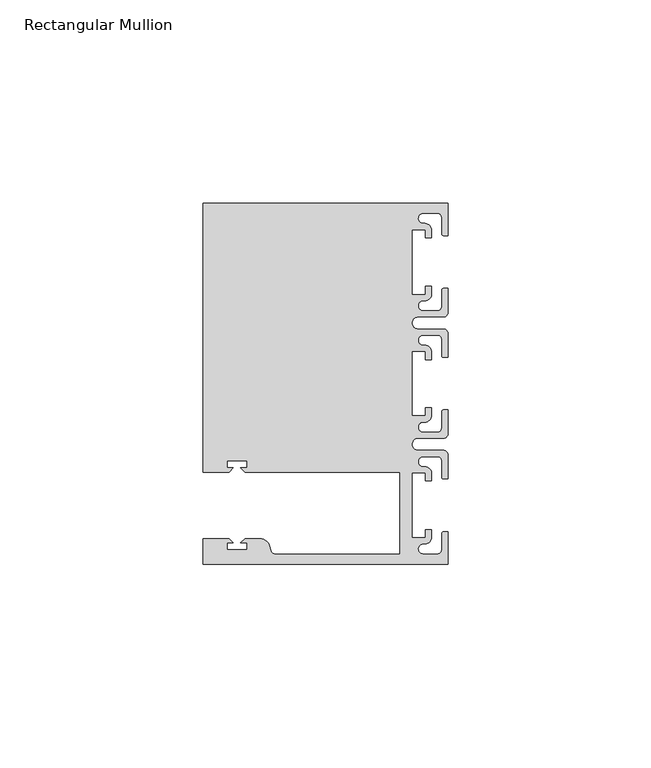
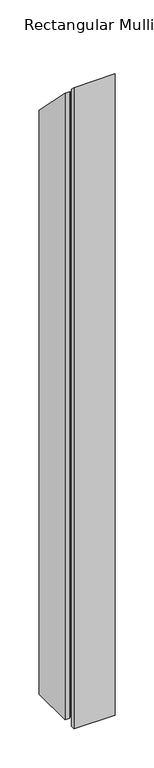
"""IFC4 building model written with IfcOpenShell, lengths in millimetres: member geometry, Rectangular Mullion."""

from ifc_helpers import new_model, si_unit, frame, origin, place, context, project, spatial, polyline, circle_curve, ellipse_curve, source, transform, mapped, element, save
from ifc_brep_helpers import plane_surface, cylinder_surface, revolved_surface, advanced_brep


def rectangular_mullion_4e4901e3(model_context):
    return source(origin(), model_context, "Body", "AdvancedBrep", [
        advanced_brep(
        [(0.0, -44.45, -952.5), (-60.3249977, -44.45, -952.5), (-60.3249977, -38.1499897, -952.5), (-53.8507531, -38.1499897, -952.5), (-52.8507405, -39.1500023, -952.5), (-54.4249778, -39.1500023, -952.5), (-54.4249778, -40.9498819, -952.5), (-49.4249831, -40.9498819, -952.5), (-49.4249831, -39.1500023, -952.5), (-50.999256, -39.1500023, -952.5), (-49.9992503, -38.1499966, -952.5), (-46.3137853, -38.1499966, -952.5), (-43.8989707, -40.002949, -952.5), (-43.5758588, -41.2088192, -952.5), (-42.6099329, -41.9500001, -952.5), (-11.8, -41.95, -952.5), (-11.8, -21.7499959, -952.5), (-49.9992434, -21.7499959, -952.5), (-50.999256, -20.7499834, -952.5), (-49.4250186, -20.7499834, -952.5), (-49.4250186, -18.949936, -952.5), (-54.4250134, -18.949936, -952.5), (-54.4250134, -20.7499834, -952.5), (-52.8507405, -20.7499834, -952.5), (-53.8507562, -21.749999, -952.5), (-60.325, -21.749999, -952.5), (-60.325, 44.45, -952.5), (0.0, 44.45, -952.5), (0.0, 36.4500318, -952.5), (-1.0, 36.4500318, -952.5), (-1.5, 36.9500318, -952.5), (-1.5, 40.95, -952.5), (-2.5, 41.95, -952.5), (-6.0499986, 41.95, -952.5), (-5.9027291, 39.4587029, -952.5), (-4.0000054, 37.7499972, -952.5), (-4.0000054, 35.9500318, -952.5), (-5.5, 35.9500318, -952.5), (-5.5, 37.9499972, -952.5), (-8.8585786, 37.9499972, -952.5), (-8.8585786, 21.9499956, -952.5), (-5.5, 21.9499956, -952.5), (-5.5, 23.9499611, -952.5), (-3.9999946, 23.9499611, -952.5), (-3.9999946, 22.0272972, -952.5), (-6.0499986, 20.4499956, -952.5), (-6.0499986, 17.9499929, -952.5), (-2.5, 17.9499929, -952.5), (-1.5, 18.9499929, -952.5), (-1.5, 22.9499611, -952.5), (-1.0, 23.4499611, -952.5), (0.0, 23.4499611, -952.5), (0.0, 17.4499929, -952.5), (-1.0, 16.4499929, -952.5), (-7.3, 16.4499929, -952.5), (-7.3046244, 13.45, -952.5), (-1.0, 13.45, -952.5), (0.0, 12.45, -952.5), (0.0, 6.4500354, -952.5), (-0.9999964, 6.4500354, -952.5), (-1.4999964, 6.9500354, -952.5), (-1.4999964, 10.95, -952.5), (-2.4999964, 11.95, -952.5), (-6.0499986, 11.95, -952.5), (-6.0499986, 9.4499972, -952.5), (-4.0000054, 7.7499972, -952.5), (-4.0000054, 5.9500318, -952.5), (-5.5, 5.9500318, -952.5), (-5.5, 7.9499972, -952.5), (-8.8, 7.9499972, -952.5), (-8.8, -7.9499972, -952.5), (-5.5, -7.9499972, -952.5), (-5.5, -5.9500318, -952.5), (-4.0000054, -5.9500318, -952.5), (-4.0000054, -7.7499972, -952.5), (-6.0499986, -9.4499972, -952.5), (-6.0499986, -11.95, -952.5), (-2.4999964, -11.95, -952.5), (-1.4999964, -10.95, -952.5), (-1.4999964, -6.9500354, -952.5), (-0.9999964, -6.4500354, -952.5), (0.0, -6.4500354, -952.5), (0.0, -12.45, -952.5), (-1.0, -13.45, -952.5), (-7.3046244, -13.45, -952.5), (-7.3, -16.4499929, -952.5), (-1.0, -16.4499929, -952.5), (0.0, -17.4499929, -952.5), (0.0, -23.4499611, -952.5), (-1.0, -23.4499611, -952.5), (-1.5, -22.9499611, -952.5), (-1.5, -18.9499929, -952.5), (-2.5, -17.9499929, -952.5), (-6.0499986, -17.9499929, -952.5), (-6.0499986, -20.4499956, -952.5), (-3.9999946, -22.0272972, -952.5), (-3.9999946, -23.9499611, -952.5), (-5.5, -23.9499611, -952.5), (-5.5, -21.9499956, -952.5), (-8.8585786, -21.9499956, -952.5), (-8.8585786, -37.9499972, -952.5), (-5.5, -37.9499972, -952.5), (-5.5, -35.9500318, -952.5), (-4.0000054, -35.9500318, -952.5), (-4.0000054, -37.7499972, -952.5), (-5.9027291, -39.4587029, -952.5), (-6.0499986, -41.95, -952.5), (-2.5, -41.95, -952.5), (-1.5, -40.95, -952.5), (-1.5, -36.9500318, -952.5), (-1.0, -36.4500318, -952.5), (0.0, -36.4500318, -952.5), (0.0, -36.4500318, 36.4500318), (0.0, -44.45, 44.45), (-1.0, -36.4500318, 36.4500318), (-1.5, -36.9500318, 36.9500318), (-1.5, -40.95, 40.95), (-2.5, -41.95, 41.95), (-6.0499986, -41.95, 41.95), (-5.9027291, -39.4587029, 39.4587029), (-4.0000054, -37.7499972, 37.7499972), (-4.0000054, -35.9500318, 35.9500318), (-5.5, -35.9500318, 35.9500318), (-5.5, -37.9499972, 37.9499972), (-8.8585786, -37.9499972, 37.9499972), (-8.8585786, -21.9499956, 21.9499956), (-5.5, -21.9499956, 21.9499956), (-5.5, -23.9499611, 23.9499611), (-3.9999946, -23.9499611, 23.9499611), (-3.9999946, -22.0272972, 22.0272972), (-6.0499986, -20.4499956, 20.4499956), (-6.0499986, -17.9499929, 17.9499929), (-2.5, -17.9499929, 17.9499929), (-1.5, -18.9499929, 18.9499929), (-1.5, -22.9499611, 22.9499611), (-1.0, -23.4499611, 23.4499611), (0.0, -23.4499611, 23.4499611), (0.0, -17.4499929, 17.4499929), (-1.0, -16.4499929, 16.4499929), (-7.3, -16.4499929, 16.4499929), (-7.3046244, -13.45, 13.45), (-1.0, -13.45, 13.45), (0.0, -12.45, 12.45), (0.0, -6.4500354, 6.4500354), (-0.9999964, -6.4500354, 6.4500354), (-1.4999964, -6.9500354, 6.9500354), (-1.4999964, -10.95, 10.95), (-2.4999964, -11.95, 11.95), (-6.0499986, -11.95, 11.95), (-6.0499986, -9.4499972, 9.4499972), (-4.0000054, -7.7499972, 7.7499972), (-4.0000054, -5.9500318, 5.9500318), (-5.5, -5.9500318, 5.9500318), (-5.5, -7.9499972, 7.9499972), (-8.8, -7.9499972, 7.9499972), (-8.8, 7.9499972, -7.9499972), (-5.5, 7.9499972, -7.9499972), (-5.5, 5.9500318, -5.9500318), (-4.0000054, 5.9500318, -5.9500318), (-4.0000054, 7.7499972, -7.7499972), (-6.0499986, 9.4499972, -9.4499972), (-6.0499986, 11.95, -11.95), (-2.4999964, 11.95, -11.95), (-1.4999964, 10.95, -10.95), (-1.4999964, 6.9500354, -6.9500354), (-0.9999964, 6.4500354, -6.4500354), (0.0, 6.4500354, -6.4500354), (0.0, 12.45, -12.45), (-1.0, 13.45, -13.45), (-7.3046244, 13.45, -13.45), (-7.3, 16.4499929, -16.4499929), (-1.0, 16.4499929, -16.4499929), (0.0, 17.4499929, -17.4499929), (0.0, 23.4499611, -23.4499611), (-1.0, 23.4499611, -23.4499611), (-1.5, 22.9499611, -22.9499611), (-1.5, 18.9499929, -18.9499929), (-2.5, 17.9499929, -17.9499929), (-6.0499986, 17.9499929, -17.9499929), (-6.0499986, 20.4499956, -20.4499956), (-3.9999946, 22.0272972, -22.0272972), (-3.9999946, 23.9499611, -23.9499611), (-5.5, 23.9499611, -23.9499611), (-5.5, 21.9499956, -21.9499956), (-8.8585786, 21.9499956, -21.9499956), (-8.8585786, 37.9499972, -37.9499972), (-5.5, 37.9499972, -37.9499972), (-5.5, 35.9500318, -35.9500318), (-4.0000054, 35.9500318, -35.9500318), (-4.0000054, 37.7499972, -37.7499972), (-5.9027291, 39.4587029, -39.4587029), (-6.0499986, 41.95, -41.95), (-2.5, 41.95, -41.95), (-1.5, 40.95, -40.95), (-1.5, 36.9500318, -36.9500318), (-1.0, 36.4500318, -36.4500318), (0.0, 36.4500318, -36.4500318), (0.0, 44.45, -44.45), (-60.325, 44.45, -44.45), (-60.325, -21.749999, 21.749999), (-53.8507562, -21.749999, 21.749999), (-52.8507405, -20.7499834, 20.7499834), (-54.4250134, -20.7499834, 20.7499834), (-54.4250134, -18.949936, 18.949936), (-49.4250186, -18.949936, 18.949936), (-49.4250186, -20.7499834, 20.7499834), (-50.999256, -20.7499834, 20.7499834), (-49.9992434, -21.7499959, 21.7499959), (-11.8, -21.7499959, 21.7499959), (-11.8, -41.95, 41.95), (-42.6099329, -41.95, 41.9500001), (-43.5758588, -41.2088192, 41.2088192), (-43.8989707, -40.002949, 40.002949), (-46.3137853, -38.1499966, 38.1499966), (-49.9992503, -38.1499966, 38.1499966), (-50.999256, -39.1500023, 39.1500023), (-49.4249831, -39.1500023, 39.1500023), (-49.4249831, -40.9498819, 40.9498819), (-54.4249778, -40.9498819, 40.9498819), (-54.4249778, -39.1500023, 39.1500023), (-52.8507405, -39.1500023, 39.1500023), (-53.8507531, -38.1499897, 38.1499897), (-60.3249977, -38.1499897, 38.1499897), (-60.3249977, -44.45, 44.45)],
        [
            (0, 1),
            (1, 2),
            (2, 3),
            (3, 4),
            (4, 5),
            (5, 6),
            (6, 7),
            (7, 8),
            (8, 9),
            (9, 10),
            (10, 11),
            (11, 12, circle_curve(frame((-46.3137853, -40.6499966, -952.5), z_axis=(0.0, 0.0, -1.0), x_axis=(0.0, 1.0, 0.0)), 2.5)),
            (12, 13),
            (13, 14, circle_curve(frame((-42.6099329, -40.9500001, -952.5), z_axis=(0.0, 0.0, 1.0), x_axis=(0.0, 1.0, 0.0)), 1.0)),
            (14, 15),
            (15, 16),
            (16, 17),
            (17, 18),
            (18, 19),
            (19, 20),
            (20, 21),
            (21, 22),
            (22, 23),
            (23, 24),
            (24, 25),
            (25, 26),
            (26, 27),
            (27, 28),
            (28, 29),
            (29, 30, circle_curve(frame((-1.0, 36.9500318, -952.5), z_axis=(0.0, 0.0, -1.0), x_axis=(0.0, -1.0, 0.0)), 0.5)),
            (30, 31),
            (31, 32, circle_curve(frame((-2.5, 40.95, -952.5), z_axis=(0.0, 0.0, 1.0), x_axis=(0.0, -1.0, 0.0)), 1.0)),
            (32, 33),
            (33, 34, circle_curve(frame((-6.0499986, 40.6999986, -952.5), z_axis=(0.0, 0.0, 1.0), x_axis=(0.0, -1.0, 0.0)), 1.2500014)),
            (34, 35, circle_curve(frame((-5.7186029, 37.7499972, -952.5), z_axis=(0.0, 0.0, -1.0), x_axis=(1.0, 0.0, 0.0)), 1.7185975)),
            (35, 36),
            (36, 37),
            (37, 38),
            (38, 39),
            (39, 40),
            (40, 41),
            (41, 42),
            (42, 43),
            (43, 44),
            (44, 45, circle_curve(frame((-5.7543344, 22.1865598, -952.5), z_axis=(0.0, 0.0, -1.0), x_axis=(1.0, 0.0, 0.0)), 1.761554)),
            (45, 46, circle_curve(frame((-6.0499986, 19.1999942, -952.5), z_axis=(0.0, 0.0, 1.0), x_axis=(0.0, -1.0, 0.0)), 1.2500014)),
            (46, 47),
            (47, 48, circle_curve(frame((-2.5, 18.9499929, -952.5), z_axis=(0.0, 0.0, 1.0), x_axis=(0.0, -1.0, 0.0)), 1.0)),
            (48, 49),
            (49, 50, circle_curve(frame((-1.0, 22.9499611, -952.5), z_axis=(0.0, 0.0, -1.0), x_axis=(0.0, -1.0, 0.0)), 0.5)),
            (50, 51),
            (51, 52),
            (52, 53, circle_curve(frame((-1.0, 17.4499929, -952.5), z_axis=(0.0, 0.0, -1.0), x_axis=(0.0, -1.0, 0.0)), 1.0)),
            (53, 54),
            (54, 55, circle_curve(frame((-7.3, 14.9499929, -952.5), z_axis=(0.0, 0.0, 1.0), x_axis=(0.0, -1.0, 0.0)), 1.5)),
            (55, 56),
            (56, 57, circle_curve(frame((-1.0, 12.45, -952.5), z_axis=(0.0, 0.0, -1.0), x_axis=(0.0, -1.0, 0.0)), 1.0)),
            (57, 58),
            (58, 59),
            (59, 60, circle_curve(frame((-0.9999964, 6.9500354, -952.5), z_axis=(0.0, 0.0, -1.0), x_axis=(0.0, -1.0, 0.0)), 0.5)),
            (60, 61),
            (61, 62, circle_curve(frame((-2.4999964, 10.95, -952.5), z_axis=(0.0, 0.0, 1.0), x_axis=(0.0, -1.0, 0.0)), 1.0)),
            (62, 63),
            (63, 64, circle_curve(frame((-6.0499986, 10.6999986, -952.5), z_axis=(0.0, 0.0, 1.0), x_axis=(0.0, -1.0, 0.0)), 1.2500014)),
            (64, 65, circle_curve(frame((-5.7298824, 7.7499972, -952.5), z_axis=(0.0, 0.0, -1.0), x_axis=(1.0, 0.0, 0.0)), 1.729877)),
            (65, 66),
            (66, 67),
            (67, 68),
            (68, 69),
            (69, 70),
            (70, 71),
            (71, 72),
            (72, 73),
            (73, 74),
            (74, 75, circle_curve(frame((-5.7298824, -7.7499972, -952.5), z_axis=(0.0, 0.0, -1.0), x_axis=(1.0, 0.0, 0.0)), 1.729877)),
            (75, 76, circle_curve(frame((-6.0499986, -10.6999986, -952.5), z_axis=(0.0, 0.0, 1.0), x_axis=(0.0, 1.0, 0.0)), 1.2500014)),
            (76, 77),
            (77, 78, circle_curve(frame((-2.4999964, -10.95, -952.5), z_axis=(0.0, 0.0, 1.0), x_axis=(0.0, 1.0, 0.0)), 1.0)),
            (78, 79),
            (79, 80, circle_curve(frame((-0.9999964, -6.9500354, -952.5), z_axis=(0.0, 0.0, -1.0), x_axis=(0.0, 1.0, 0.0)), 0.5)),
            (80, 81),
            (81, 82),
            (82, 83, circle_curve(frame((-1.0, -12.45, -952.5), z_axis=(0.0, 0.0, -1.0), x_axis=(0.0, 1.0, 0.0)), 1.0)),
            (83, 84),
            (84, 85, circle_curve(frame((-7.3, -14.9499929, -952.5), z_axis=(0.0, 0.0, 1.0), x_axis=(0.0, 1.0, 0.0)), 1.5)),
            (85, 86),
            (86, 87, circle_curve(frame((-1.0, -17.4499929, -952.5), z_axis=(0.0, 0.0, -1.0), x_axis=(0.0, 1.0, 0.0)), 1.0)),
            (87, 88),
            (88, 89),
            (89, 90, circle_curve(frame((-1.0, -22.9499611, -952.5), z_axis=(0.0, 0.0, -1.0), x_axis=(0.0, 1.0, 0.0)), 0.5)),
            (90, 91),
            (91, 92, circle_curve(frame((-2.5, -18.9499929, -952.5), z_axis=(0.0, 0.0, 1.0), x_axis=(0.0, 1.0, 0.0)), 1.0)),
            (92, 93),
            (93, 94, circle_curve(frame((-6.0499986, -19.1999942, -952.5), z_axis=(0.0, 0.0, 1.0), x_axis=(0.0, 1.0, 0.0)), 1.2500014)),
            (94, 95, circle_curve(frame((-5.7543344, -22.1865598, -952.5), z_axis=(0.0, 0.0, -1.0), x_axis=(1.0, 0.0, 0.0)), 1.761554)),
            (95, 96),
            (96, 97),
            (97, 98),
            (98, 99),
            (99, 100),
            (100, 101),
            (101, 102),
            (102, 103),
            (103, 104),
            (104, 105, circle_curve(frame((-5.7186029, -37.7499972, -952.5), z_axis=(0.0, 0.0, -1.0), x_axis=(1.0, 0.0, 0.0)), 1.7185975)),
            (105, 106, circle_curve(frame((-6.0499986, -40.6999986, -952.5), z_axis=(0.0, 0.0, 1.0), x_axis=(0.0, 1.0, 0.0)), 1.2500014)),
            (106, 107),
            (107, 108, circle_curve(frame((-2.5, -40.95, -952.5), z_axis=(0.0, 0.0, 1.0), x_axis=(0.0, 1.0, 0.0)), 1.0)),
            (108, 109),
            (109, 110, circle_curve(frame((-1.0, -36.9500318, -952.5), z_axis=(0.0, 0.0, -1.0), x_axis=(0.0, 1.0, 0.0)), 0.5)),
            (110, 111),
            (111, 0),
            (112, 113),
            (113, 0),
            (111, 112),
            (114, 112),
            (110, 114),
            (115, 114, ellipse_curve(frame((-1.0, -36.9500318, 36.9500318), z_axis=(0.0, -0.7071067811865476, -0.7071067811865476), x_axis=(0.0, -0.7071067811865476, 0.7071067811865474)), 0.7071068, 0.5)),
            (109, 115),
            (116, 115),
            (108, 116),
            (117, 116, ellipse_curve(frame((-2.5, -40.95, 40.95), z_axis=(0.0, 0.7071067811865476, 0.7071067811865476), x_axis=(0.0, 0.7071067811865476, -0.7071067811865474)), 1.4142136, 1.0)),
            (107, 117),
            (118, 117),
            (106, 118),
            (119, 118, ellipse_curve(frame((-6.0499986, -40.6999986, 40.6999986), z_axis=(0.0, 0.7071067811865476, 0.7071067811865476), x_axis=(0.0, 0.7071067811865476, -0.7071067811865474)), 1.7677689, 1.2500014)),
            (105, 119),
            (120, 119, ellipse_curve(frame((-5.7186029, -37.7499972, 37.7499972), z_axis=(0.0, -0.7071067811865476, -0.7071067811865476), x_axis=(0.0, -0.7071067811865476, 0.7071067811865474)), 2.4304639, 1.7185975)),
            (104, 120),
            (121, 120),
            (103, 121),
            (122, 121),
            (102, 122),
            (123, 122),
            (101, 123),
            (124, 123),
            (100, 124),
            (125, 124),
            (99, 125),
            (126, 125),
            (98, 126),
            (127, 126),
            (97, 127),
            (128, 127),
            (96, 128),
            (129, 128),
            (95, 129),
            (130, 129, ellipse_curve(frame((-5.7543344, -22.1865598, 22.1865598), z_axis=(0.0, -0.7071067811865476, -0.7071067811865476), x_axis=(0.0, -0.7071067811865476, 0.7071067811865474)), 2.4912135, 1.761554)),
            (94, 130),
            (131, 130, ellipse_curve(frame((-6.0499986, -19.1999942, 19.1999942), z_axis=(0.0, 0.7071067811865476, 0.7071067811865476), x_axis=(0.0, 0.7071067811865476, -0.7071067811865474)), 1.7677689, 1.2500014)),
            (93, 131),
            (132, 131),
            (92, 132),
            (133, 132, ellipse_curve(frame((-2.5, -18.9499929, 18.9499929), z_axis=(0.0, 0.7071067811865476, 0.7071067811865476), x_axis=(0.0, 0.7071067811865476, -0.7071067811865474)), 1.4142136, 1.0)),
            (91, 133),
            (134, 133),
            (90, 134),
            (135, 134, ellipse_curve(frame((-1.0, -22.9499611, 22.9499611), z_axis=(0.0, -0.7071067811865476, -0.7071067811865476), x_axis=(0.0, -0.7071067811865476, 0.7071067811865474)), 0.7071068, 0.5)),
            (89, 135),
            (136, 135),
            (88, 136),
            (137, 136),
            (87, 137),
            (138, 137, ellipse_curve(frame((-1.0, -17.4499929, 17.4499929), z_axis=(0.0, -0.7071067811865476, -0.7071067811865476), x_axis=(0.0, -0.7071067811865476, 0.7071067811865474)), 1.4142136, 1.0)),
            (86, 138),
            (139, 138),
            (85, 139),
            (140, 139, ellipse_curve(frame((-7.3, -14.9499929, 14.9499929), z_axis=(0.0, 0.7071067811865476, 0.7071067811865476), x_axis=(0.0, 0.7071067811865476, -0.7071067811865474)), 2.1213203, 1.5)),
            (84, 140),
            (141, 140),
            (83, 141),
            (142, 141, ellipse_curve(frame((-1.0, -12.45, 12.45), z_axis=(0.0, -0.7071067811865476, -0.7071067811865476), x_axis=(0.0, -0.7071067811865476, 0.7071067811865474)), 1.4142136, 1.0)),
            (82, 142),
            (143, 142),
            (81, 143),
            (144, 143),
            (80, 144),
            (145, 144, ellipse_curve(frame((-0.9999964, -6.9500354, 6.9500354), z_axis=(0.0, -0.7071067811865476, -0.7071067811865476), x_axis=(0.0, -0.7071067811865476, 0.7071067811865474)), 0.7071068, 0.5)),
            (79, 145),
            (146, 145),
            (78, 146),
            (147, 146, ellipse_curve(frame((-2.4999964, -10.95, 10.95), z_axis=(0.0, 0.7071067811865476, 0.7071067811865476), x_axis=(0.0, 0.7071067811865476, -0.7071067811865474)), 1.4142136, 1.0)),
            (77, 147),
            (148, 147),
            (76, 148),
            (149, 148, ellipse_curve(frame((-6.0499986, -10.6999986, 10.6999986), z_axis=(0.0, 0.7071067811865476, 0.7071067811865476), x_axis=(0.0, 0.7071067811865476, -0.7071067811865474)), 1.7677689, 1.2500014)),
            (75, 149),
            (150, 149, ellipse_curve(frame((-5.7298824, -7.7499972, 7.7499972), z_axis=(0.0, -0.7071067811865476, -0.7071067811865476), x_axis=(0.0, -0.7071067811865476, 0.7071067811865474)), 2.4464155, 1.729877)),
            (74, 150),
            (151, 150),
            (73, 151),
            (152, 151),
            (72, 152),
            (153, 152),
            (71, 153),
            (154, 153),
            (70, 154),
            (155, 154),
            (69, 155),
            (156, 155),
            (68, 156),
            (157, 156),
            (67, 157),
            (158, 157),
            (66, 158),
            (159, 158),
            (65, 159),
            (160, 159, ellipse_curve(frame((-5.7298824, 7.7499972, -7.7499972), z_axis=(0.0, -0.7071067811865476, -0.7071067811865476), x_axis=(0.0, -0.7071067811865476, 0.7071067811865474)), 2.4464155, 1.729877)),
            (64, 160),
            (161, 160, ellipse_curve(frame((-6.0499986, 10.6999986, -10.6999986), z_axis=(0.0, 0.7071067811865476, 0.7071067811865476), x_axis=(0.0, 0.7071067811865476, -0.7071067811865474)), 1.7677689, 1.2500014)),
            (63, 161),
            (162, 161),
            (62, 162),
            (163, 162, ellipse_curve(frame((-2.4999964, 10.95, -10.95), z_axis=(0.0, 0.7071067811865476, 0.7071067811865476), x_axis=(0.0, 0.7071067811865476, -0.7071067811865474)), 1.4142136, 1.0)),
            (61, 163),
            (164, 163),
            (60, 164),
            (165, 164, ellipse_curve(frame((-0.9999964, 6.9500354, -6.9500354), z_axis=(0.0, -0.7071067811865476, -0.7071067811865476), x_axis=(0.0, -0.7071067811865476, 0.7071067811865474)), 0.7071068, 0.5)),
            (59, 165),
            (166, 165),
            (58, 166),
            (167, 166),
            (57, 167),
            (168, 167, ellipse_curve(frame((-1.0, 12.45, -12.45), z_axis=(0.0, -0.7071067811865476, -0.7071067811865476), x_axis=(0.0, -0.7071067811865476, 0.7071067811865474)), 1.4142136, 1.0)),
            (56, 168),
            (169, 168),
            (55, 169),
            (170, 169, ellipse_curve(frame((-7.3, 14.9499929, -14.9499929), z_axis=(0.0, 0.7071067811865476, 0.7071067811865476), x_axis=(0.0, 0.7071067811865476, -0.7071067811865474)), 2.1213203, 1.5)),
            (54, 170),
            (171, 170),
            (53, 171),
            (172, 171, ellipse_curve(frame((-1.0, 17.4499929, -17.4499929), z_axis=(0.0, -0.7071067811865476, -0.7071067811865476), x_axis=(0.0, -0.7071067811865476, 0.7071067811865474)), 1.4142136, 1.0)),
            (52, 172),
            (173, 172),
            (51, 173),
            (174, 173),
            (50, 174),
            (175, 174, ellipse_curve(frame((-1.0, 22.9499611, -22.9499611), z_axis=(0.0, -0.7071067811865476, -0.7071067811865476), x_axis=(0.0, -0.7071067811865476, 0.7071067811865474)), 0.7071068, 0.5)),
            (49, 175),
            (176, 175),
            (48, 176),
            (177, 176, ellipse_curve(frame((-2.5, 18.9499929, -18.9499929), z_axis=(0.0, 0.7071067811865476, 0.7071067811865476), x_axis=(0.0, 0.7071067811865476, -0.7071067811865474)), 1.4142136, 1.0)),
            (47, 177),
            (178, 177),
            (46, 178),
            (179, 178, ellipse_curve(frame((-6.0499986, 19.1999942, -19.1999942), z_axis=(0.0, 0.7071067811865476, 0.7071067811865476), x_axis=(0.0, 0.7071067811865476, -0.7071067811865474)), 1.7677689, 1.2500014)),
            (45, 179),
            (180, 179, ellipse_curve(frame((-5.7543344, 22.1865598, -22.1865598), z_axis=(0.0, -0.7071067811865476, -0.7071067811865476), x_axis=(0.0, -0.7071067811865476, 0.7071067811865474)), 2.4912135, 1.761554)),
            (44, 180),
            (181, 180),
            (43, 181),
            (182, 181),
            (42, 182),
            (183, 182),
            (41, 183),
            (184, 183),
            (40, 184),
            (185, 184),
            (39, 185),
            (186, 185),
            (38, 186),
            (187, 186),
            (37, 187),
            (188, 187),
            (36, 188),
            (189, 188),
            (35, 189),
            (190, 189, ellipse_curve(frame((-5.7186029, 37.7499972, -37.7499972), z_axis=(0.0, -0.7071067811865476, -0.7071067811865476), x_axis=(0.0, -0.7071067811865476, 0.7071067811865474)), 2.4304639, 1.7185975)),
            (34, 190),
            (191, 190, ellipse_curve(frame((-6.0499986, 40.6999986, -40.6999986), z_axis=(0.0, 0.7071067811865476, 0.7071067811865476), x_axis=(0.0, 0.7071067811865476, -0.7071067811865474)), 1.7677689, 1.2500014)),
            (33, 191),
            (192, 191),
            (32, 192),
            (193, 192, ellipse_curve(frame((-2.5, 40.95, -40.95), z_axis=(0.0, 0.7071067811865476, 0.7071067811865476), x_axis=(0.0, 0.7071067811865476, -0.7071067811865474)), 1.4142136, 1.0)),
            (31, 193),
            (194, 193),
            (30, 194),
            (195, 194, ellipse_curve(frame((-1.0, 36.9500318, -36.9500318), z_axis=(0.0, -0.7071067811865476, -0.7071067811865476), x_axis=(0.0, -0.7071067811865476, 0.7071067811865474)), 0.7071068, 0.5)),
            (29, 195),
            (196, 195),
            (28, 196),
            (197, 196),
            (27, 197),
            (198, 197),
            (26, 198),
            (199, 198),
            (25, 199),
            (200, 199),
            (24, 200),
            (201, 200),
            (23, 201),
            (202, 201),
            (22, 202),
            (203, 202),
            (21, 203),
            (204, 203),
            (20, 204),
            (205, 204),
            (19, 205),
            (206, 205),
            (18, 206),
            (207, 206),
            (17, 207),
            (208, 207),
            (16, 208),
            (209, 208),
            (15, 209),
            (210, 209),
            (14, 210),
            (211, 210, ellipse_curve(frame((-42.6099329, -40.9500001, 40.9500001), z_axis=(0.0, 0.7071067811865476, 0.7071067811865476), x_axis=(0.0, 0.7071067811865476, -0.7071067811865474)), 1.4142136, 1.0)),
            (13, 211),
            (212, 211),
            (12, 212),
            (213, 212, ellipse_curve(frame((-46.3137853, -40.6499966, 40.6499966), z_axis=(0.0, -0.7071067811865476, -0.7071067811865476), x_axis=(0.0, -0.7071067811865476, 0.7071067811865474)), 3.5355339, 2.5)),
            (11, 213),
            (214, 213),
            (10, 214),
            (215, 214),
            (9, 215),
            (216, 215),
            (8, 216),
            (217, 216),
            (7, 217),
            (218, 217),
            (6, 218),
            (219, 218),
            (5, 219),
            (220, 219),
            (4, 220),
            (221, 220),
            (3, 221),
            (222, 221),
            (2, 222),
            (223, 222),
            (1, 223),
            (113, 223),
        ],
        [
            plane_surface(frame((0.0, -74.9326906, -952.5), z_axis=(0.0, 0.0, -1.0), x_axis=(-1.0, 0.0, 0.0))),
            plane_surface(frame((0.0, -44.45, 0.0), z_axis=(1.0, 0.0, 0.0), x_axis=(0.0, 0.0, -1.0))),
            plane_surface(frame((0.0, -36.4500318, 0.0), z_axis=(0.0, 1.0, 0.0), x_axis=(0.0, 0.0, -1.0))),
            cylinder_surface(frame((-1.0, -36.9500318, 0.0), z_axis=(0.0, 0.0, 1.0), x_axis=(0.0, 1.0, 0.0)), 0.5),
            plane_surface(frame((-1.5, -36.9500318, 0.0), z_axis=(-1.0, 0.0, 0.0), x_axis=(0.0, 0.0, -1.0))),
            revolved_surface(polyline([(-2.5, -39.95, -952.5), (-2.5, -39.95, 41.95000002660624)]), (-2.5, -40.95, 0.0), (0.0, 0.0, -1.0)),
            plane_surface(frame((-2.5, -41.95, 0.0), z_axis=(0.0, 1.0, 0.0), x_axis=(0.0, 0.0, -1.0))),
            revolved_surface(polyline([(-6.0499986, -39.4499972, -952.5), (-6.0499986, -39.4499972, 41.95)]), (-6.0499986, -40.6999986, 0.0), (0.0, 0.0, -1.0)),
            cylinder_surface(frame((-5.7186029, -37.7499972, 0.0), z_axis=(0.0, 0.0, 1.0), x_axis=(1.0, 0.0, 0.0)), 1.7185975),
            plane_surface(frame((-4.0000054, -37.7499972, 0.0), z_axis=(1.0, 0.0, 0.0), x_axis=(0.0, 0.0, -1.0))),
            plane_surface(frame((-4.0000054, -35.9500318, 0.0), z_axis=(0.0, 1.0, 0.0), x_axis=(0.0, 0.0, -1.0))),
            plane_surface(frame((-5.5, -35.9500318, 0.0), z_axis=(-1.0, 0.0, 0.0), x_axis=(0.0, 0.0, -1.0))),
            plane_surface(frame((-5.5, -37.9499972, 0.0), z_axis=(0.0, 1.0, 0.0), x_axis=(0.0, 0.0, -1.0))),
            plane_surface(frame((-8.8585786, -37.9499972, 0.0), z_axis=(1.0, 0.0, 0.0), x_axis=(0.0, 0.0, -1.0))),
            plane_surface(frame((-8.8585786, -21.9499956, 0.0), z_axis=(0.0, -1.0, 0.0), x_axis=(0.0, 0.0, -1.0))),
            plane_surface(frame((-5.5, -21.9499956, 0.0), z_axis=(-1.0, 0.0, 0.0), x_axis=(0.0, 0.0, -1.0))),
            plane_surface(frame((-5.5, -23.9499611, 0.0), z_axis=(0.0, -1.0, 0.0), x_axis=(0.0, 0.0, -1.0))),
            plane_surface(frame((-3.9999946, -23.9499611, 0.0), z_axis=(1.0, 0.0, 0.0), x_axis=(0.0, 0.0, -1.0))),
            cylinder_surface(frame((-5.7543344, -22.1865598, 0.0), z_axis=(0.0, 0.0, 1.0), x_axis=(1.0, 0.0, 0.0)), 1.761554),
            revolved_surface(polyline([(-6.0499986, -17.9499928, -952.5), (-6.0499986, -17.9499928, 20.4499956)]), (-6.0499986, -19.1999942, 0.0), (0.0, 0.0, -1.0)),
            plane_surface(frame((-6.0499986, -17.9499929, 0.0), z_axis=(0.0, -1.0, 0.0), x_axis=(0.0, 0.0, -1.0))),
            revolved_surface(polyline([(-2.5, -17.9499929, -952.5), (-2.5, -17.9499929, 19.949992926606242)]), (-2.5, -18.9499929, 0.0), (0.0, 0.0, -1.0)),
            plane_surface(frame((-1.5, -18.9499929, 0.0), z_axis=(-1.0, 0.0, 0.0), x_axis=(0.0, 0.0, -1.0))),
            cylinder_surface(frame((-1.0, -22.9499611, 0.0), z_axis=(0.0, 0.0, 1.0), x_axis=(0.0, 1.0, 0.0)), 0.5),
            plane_surface(frame((-1.0, -23.4499611, 0.0), z_axis=(0.0, -1.0, 0.0), x_axis=(0.0, 0.0, -1.0))),
            plane_surface(frame((0.0, -23.4499611, 0.0), z_axis=(1.0, 0.0, 0.0), x_axis=(0.0, 0.0, -1.0))),
            cylinder_surface(frame((-1.0, -17.4499929, 0.0), z_axis=(0.0, 0.0, 1.0), x_axis=(0.0, 1.0, 0.0)), 1.0),
            plane_surface(frame((-1.0, -16.4499929, 0.0), z_axis=(0.0, 1.0, 0.0), x_axis=(0.0, 0.0, -1.0))),
            revolved_surface(polyline([(-7.3, -13.4499929, -952.5), (-7.3, -13.4499929, 16.4499929)]), (-7.3, -14.9499929, 0.0), (0.0, 0.0, -1.0)),
            plane_surface(frame((-7.3046244, -13.45, 0.0), z_axis=(0.0, -1.0, 0.0), x_axis=(0.0, 0.0, -1.0))),
            cylinder_surface(frame((-1.0, -12.45, 0.0), z_axis=(0.0, 0.0, 1.0), x_axis=(0.0, 1.0, 0.0)), 1.0),
            plane_surface(frame((0.0, -12.45, 0.0), z_axis=(1.0, 0.0, 0.0), x_axis=(0.0, 0.0, -1.0))),
            plane_surface(frame((0.0, -6.4500354, 0.0), z_axis=(0.0, 1.0, 0.0), x_axis=(0.0, 0.0, -1.0))),
            cylinder_surface(frame((-0.9999964, -6.9500354, 0.0), z_axis=(0.0, 0.0, 1.0), x_axis=(0.0, 1.0, 0.0)), 0.5),
            plane_surface(frame((-1.4999964, -6.9500354, 0.0), z_axis=(-1.0, 0.0, 0.0), x_axis=(0.0, 0.0, -1.0))),
            revolved_surface(polyline([(-2.4999964, -9.95, -952.5), (-2.4999964, -9.95, 11.950000026606238)]), (-2.4999964, -10.95, 0.0), (0.0, 0.0, -1.0)),
            plane_surface(frame((-2.4999964, -11.95, 0.0), z_axis=(0.0, 1.0, 0.0), x_axis=(0.0, 0.0, -1.0))),
            revolved_surface(polyline([(-6.0499986, -9.4499972, -952.5), (-6.0499986, -9.4499972, 11.95)]), (-6.0499986, -10.6999986, 0.0), (0.0, 0.0, -1.0)),
            cylinder_surface(frame((-5.7298824, -7.7499972, 0.0), z_axis=(0.0, 0.0, 1.0), x_axis=(1.0, 0.0, 0.0)), 1.729877),
            plane_surface(frame((-4.0000054, -7.7499972, 0.0), z_axis=(1.0, 0.0, 0.0), x_axis=(0.0, 0.0, -1.0))),
            plane_surface(frame((-4.0000054, -5.9500318, 0.0), z_axis=(0.0, 1.0, 0.0), x_axis=(0.0, 0.0, -1.0))),
            plane_surface(frame((-5.5, -5.9500318, 0.0), z_axis=(-1.0, 0.0, 0.0), x_axis=(0.0, 0.0, -1.0))),
            plane_surface(frame((-5.5, -7.9499972, 0.0), z_axis=(0.0, 1.0, 0.0), x_axis=(0.0, 0.0, -1.0))),
            plane_surface(frame((-8.8, -7.9499972, 0.0), z_axis=(1.0, 0.0, 0.0), x_axis=(0.0, 0.0, -1.0))),
            plane_surface(frame((-8.8, 7.9499972, 0.0), z_axis=(0.0, -1.0, 0.0), x_axis=(0.0, 0.0, -1.0))),
            plane_surface(frame((-5.5, 7.9499972, 0.0), z_axis=(-1.0, 0.0, 0.0), x_axis=(0.0, 0.0, -1.0))),
            plane_surface(frame((-5.5, 5.9500318, 0.0), z_axis=(0.0, -1.0, 0.0), x_axis=(0.0, 0.0, -1.0))),
            plane_surface(frame((-4.0000054, 5.9500318, 0.0), z_axis=(1.0, 0.0, 0.0), x_axis=(0.0, 0.0, -1.0))),
            cylinder_surface(frame((-5.7298824, 7.7499972, 0.0), z_axis=(0.0, 0.0, 1.0), x_axis=(1.0, 0.0, 0.0)), 1.729877),
            revolved_surface(polyline([(-6.0499986, 9.4499972, -952.5), (-6.0499986, 9.4499972, -9.4499972)]), (-6.0499986, 10.6999986, 0.0), (0.0, 0.0, -1.0)),
            plane_surface(frame((-6.0499986, 11.95, 0.0), z_axis=(0.0, -1.0, 0.0), x_axis=(0.0, 0.0, -1.0))),
            revolved_surface(polyline([(-2.4999964, 9.95, -952.5), (-2.4999964, 9.95, -9.94999997339376)]), (-2.4999964, 10.95, 0.0), (0.0, 0.0, -1.0)),
            plane_surface(frame((-1.4999964, 10.95, 0.0), z_axis=(-1.0, 0.0, 0.0), x_axis=(0.0, 0.0, -1.0))),
            cylinder_surface(frame((-0.9999964, 6.9500354, 0.0), z_axis=(0.0, 0.0, 1.0), x_axis=(0.0, -1.0, 0.0)), 0.5),
            plane_surface(frame((-0.9999964, 6.4500354, 0.0), z_axis=(0.0, -1.0, 0.0), x_axis=(0.0, 0.0, -1.0))),
            plane_surface(frame((0.0, 6.4500354, 0.0), z_axis=(1.0, 0.0, 0.0), x_axis=(0.0, 0.0, -1.0))),
            cylinder_surface(frame((-1.0, 12.45, 0.0), z_axis=(0.0, 0.0, 1.0), x_axis=(0.0, -1.0, 0.0)), 1.0),
            plane_surface(frame((-1.0, 13.45, 0.0), z_axis=(0.0, 1.0, 0.0), x_axis=(0.0, 0.0, -1.0))),
            revolved_surface(polyline([(-7.3, 13.4499929, -952.5), (-7.3, 13.4499929, -13.449992930801319)]), (-7.3, 14.9499929, 0.0), (0.0, 0.0, -1.0)),
            plane_surface(frame((-7.3, 16.4499929, 0.0), z_axis=(0.0, -1.0, 0.0), x_axis=(0.0, 0.0, -1.0))),
            cylinder_surface(frame((-1.0, 17.4499929, 0.0), z_axis=(0.0, 0.0, 1.0), x_axis=(0.0, -1.0, 0.0)), 1.0),
            plane_surface(frame((0.0, 17.4499929, 0.0), z_axis=(1.0, 0.0, 0.0), x_axis=(0.0, 0.0, -1.0))),
            plane_surface(frame((0.0, 23.4499611, 0.0), z_axis=(0.0, 1.0, 0.0), x_axis=(0.0, 0.0, -1.0))),
            cylinder_surface(frame((-1.0, 22.9499611, 0.0), z_axis=(0.0, 0.0, 1.0), x_axis=(0.0, -1.0, 0.0)), 0.5),
            plane_surface(frame((-1.5, 22.9499611, 0.0), z_axis=(-1.0, 0.0, 0.0), x_axis=(0.0, 0.0, -1.0))),
            revolved_surface(polyline([(-2.5, 17.9499929, -952.5), (-2.5, 17.9499929, -17.94999287339376)]), (-2.5, 18.9499929, 0.0), (0.0, 0.0, -1.0)),
            plane_surface(frame((-2.5, 17.9499929, 0.0), z_axis=(0.0, 1.0, 0.0), x_axis=(0.0, 0.0, -1.0))),
            revolved_surface(polyline([(-6.0499986, 17.9499928, -952.5), (-6.0499986, 17.9499928, -17.949992823239317)]), (-6.0499986, 19.1999942, 0.0), (0.0, 0.0, -1.0)),
            cylinder_surface(frame((-5.7543344, 22.1865598, 0.0), z_axis=(0.0, 0.0, 1.0), x_axis=(1.0, 0.0, 0.0)), 1.761554),
            plane_surface(frame((-3.9999946, 22.0272972, 0.0), z_axis=(1.0, 0.0, 0.0), x_axis=(0.0, 0.0, -1.0))),
            plane_surface(frame((-3.9999946, 23.9499611, 0.0), z_axis=(0.0, 1.0, 0.0), x_axis=(0.0, 0.0, -1.0))),
            plane_surface(frame((-5.5, 23.9499611, 0.0), z_axis=(-1.0, 0.0, 0.0), x_axis=(0.0, 0.0, -1.0))),
            plane_surface(frame((-5.5, 21.9499956, 0.0), z_axis=(0.0, 1.0, 0.0), x_axis=(0.0, 0.0, -1.0))),
            plane_surface(frame((-8.8585786, 21.9499956, 0.0), z_axis=(1.0, 0.0, 0.0), x_axis=(0.0, 0.0, -1.0))),
            plane_surface(frame((-8.8585786, 37.9499972, 0.0), z_axis=(0.0, -1.0, 0.0), x_axis=(0.0, 0.0, -1.0))),
            plane_surface(frame((-5.5, 37.9499972, 0.0), z_axis=(-1.0, 0.0, 0.0), x_axis=(0.0, 0.0, -1.0))),
            plane_surface(frame((-5.5, 35.9500318, 0.0), z_axis=(0.0, -1.0, 0.0), x_axis=(0.0, 0.0, -1.0))),
            plane_surface(frame((-4.0000054, 35.9500318, 0.0), z_axis=(1.0, 0.0, 0.0), x_axis=(0.0, 0.0, -1.0))),
            cylinder_surface(frame((-5.7186029, 37.7499972, 0.0), z_axis=(0.0, 0.0, 1.0), x_axis=(1.0, 0.0, 0.0)), 1.7185975),
            revolved_surface(polyline([(-6.0499986, 39.4499972, -952.5), (-6.0499986, 39.4499972, -39.449997223239315)]), (-6.0499986, 40.6999986, 0.0), (0.0, 0.0, -1.0)),
            plane_surface(frame((-6.0499986, 41.95, 0.0), z_axis=(0.0, -1.0, 0.0), x_axis=(0.0, 0.0, -1.0))),
            revolved_surface(polyline([(-2.5, 39.95, -952.5), (-2.5, 39.95, -39.949999973393766)]), (-2.5, 40.95, 0.0), (0.0, 0.0, -1.0)),
            plane_surface(frame((-1.5, 40.95, 0.0), z_axis=(-1.0, 0.0, 0.0), x_axis=(0.0, 0.0, -1.0))),
            cylinder_surface(frame((-1.0, 36.9500318, 0.0), z_axis=(0.0, 0.0, 1.0), x_axis=(0.0, -1.0, 0.0)), 0.5),
            plane_surface(frame((-1.0, 36.4500318, 0.0), z_axis=(0.0, -1.0, 0.0), x_axis=(0.0, 0.0, -1.0))),
            plane_surface(frame((0.0, 36.4500318, 0.0), z_axis=(1.0, 0.0, 0.0), x_axis=(0.0, 0.0, -1.0))),
            plane_surface(frame((0.0, 44.45, 0.0), z_axis=(0.0, 1.0, 0.0), x_axis=(0.0, 0.0, -1.0))),
            plane_surface(frame((-60.325, 44.45, 0.0), z_axis=(-1.0, 0.0, 0.0), x_axis=(0.0, 0.0, -1.0))),
            plane_surface(frame((-60.325, -21.749999, 0.0), z_axis=(0.0, -1.0, 0.0), x_axis=(0.0, 0.0, -1.0))),
            plane_surface(frame((-53.8507562, -21.749999, 0.0), z_axis=(0.7071067811865472, -0.7071067811865479, 0.0), x_axis=(0.0, 0.0, -1.0))),
            plane_surface(frame((-52.8507405, -20.7499834, 0.0), z_axis=(0.0, 1.0, 0.0), x_axis=(0.0, 0.0, -1.0))),
            plane_surface(frame((-54.4250134, -20.7499834, 0.0), z_axis=(1.0, 0.0, 0.0), x_axis=(0.0, 0.0, -1.0))),
            plane_surface(frame((-54.4250134, -18.949936, 0.0), z_axis=(0.0, -1.0, 0.0), x_axis=(0.0, 0.0, -1.0))),
            plane_surface(frame((-49.4250186, -18.949936, 0.0), z_axis=(-1.0, 0.0, 0.0), x_axis=(0.0, 0.0, -1.0))),
            plane_surface(frame((-49.4250186, -20.7499834, 0.0), z_axis=(0.0, 1.0, 0.0), x_axis=(0.0, 0.0, -1.0))),
            plane_surface(frame((-50.999256, -20.7499834, 0.0), z_axis=(-0.7071067811865492, -0.7071067811865459, 0.0), x_axis=(0.0, 0.0, -1.0))),
            plane_surface(frame((-49.9992434, -21.7499959, 0.0), z_axis=(0.0, -1.0, 0.0), x_axis=(0.0, 0.0, -1.0))),
            plane_surface(frame((-11.8, -21.7499959, 0.0), z_axis=(-1.0, 0.0, 0.0), x_axis=(0.0, 0.0, -1.0))),
            plane_surface(frame((-11.8, -41.95, 0.0), z_axis=(0.0, 1.0, 0.0), x_axis=(0.0, 0.0, -1.0))),
            revolved_surface(polyline([(-42.6099329, -39.9500001, -952.5), (-42.6099329, -39.9500001, 41.950000126606234)]), (-42.6099329, -40.9500001, 0.0), (0.0, 0.0, -1.0)),
            plane_surface(frame((-43.5758588, -41.2088192, 0.0), z_axis=(0.965925826289163, 0.2588190451021675, 0.0), x_axis=(0.0, 0.0, -1.0))),
            cylinder_surface(frame((-46.3137853, -40.6499966, 0.0), z_axis=(0.0, 0.0, 1.0), x_axis=(0.0, 1.0, 0.0)), 2.5),
            plane_surface(frame((-46.3137853, -38.1499966, 0.0), z_axis=(0.0, 1.0, 0.0), x_axis=(0.0, 0.0, -1.0))),
            plane_surface(frame((-49.9992503, -38.1499966, 0.0), z_axis=(-0.7071067811865469, 0.7071067811865481, 0.0), x_axis=(0.0, 0.0, -1.0))),
            plane_surface(frame((-50.999256, -39.1500023, 0.0), z_axis=(0.0, -1.0, 0.0), x_axis=(0.0, 0.0, -1.0))),
            plane_surface(frame((-49.4249831, -39.1500023, 0.0), z_axis=(-1.0, 0.0, 0.0), x_axis=(0.0, 0.0, -1.0))),
            plane_surface(frame((-49.4249831, -40.9498819, 0.0), z_axis=(0.0, 1.0, 0.0), x_axis=(0.0, 0.0, -1.0))),
            plane_surface(frame((-54.4249778, -40.9498819, 0.0), z_axis=(1.0, 0.0, 0.0), x_axis=(0.0, 0.0, -1.0))),
            plane_surface(frame((-54.4249778, -39.1500023, 0.0), z_axis=(0.0, -1.0, 0.0), x_axis=(0.0, 0.0, -1.0))),
            plane_surface(frame((-52.8507405, -39.1500023, 0.0), z_axis=(0.7071067811865492, 0.7071067811865459, 0.0), x_axis=(0.0, 0.0, -1.0))),
            plane_surface(frame((-53.8507531, -38.1499897, 0.0), z_axis=(0.0, 1.0, 0.0), x_axis=(0.0, 0.0, -1.0))),
            plane_surface(frame((-60.3249977, -38.1499897, 0.0), z_axis=(-1.0, 0.0, 0.0), x_axis=(0.0, 0.0, -1.0))),
            plane_surface(frame((-60.3249977, -44.45, 0.0), z_axis=(0.0, -1.0, 0.0), x_axis=(0.0, 0.0, -1.0))),
            plane_surface(frame((-304.8, 0.0, 0.0), z_axis=(0.0, 0.7071067811865476, 0.7071067811865476), x_axis=(0.0, 0.7071067811865476, -0.7071067811865476))),
        ],
        [
            (0, [[1, 2, 3, 4, 5, 6, 7, 8, 9, 10, 11, 12, 13, 14, 15, 16, 17, 18, 19, 20, 21, 22, 23, 24, 25, 26, 27, 28, 29, 30, 31, 32, 33, 34, 35, 36, 37, 38, 39, 40, 41, 42, 43, 44, 45, 46, 47, 48, 49, 50, 51, 52, 53, 54, 55, 56, 57, 58, 59, 60, 61, 62, 63, 64, 65, 66, 67, 68, 69, 70, 71, 72, 73, 74, 75, 76, 77, 78, 79, 80, 81, 82, 83, 84, 85, 86, 87, 88, 89, 90, 91, 92, 93, 94, 95, 96, 97, 98, 99, 100, 101, 102, 103, 104, 105, 106, 107, 108, 109, 110, 111, 112]]),
            (1, [[113, 114, -112, 115]]),
            (2, [[116, -115, -111, 117]]),
            (3, [[118, -117, -110, 119]]),
            (4, [[120, -119, -109, 121]]),
            (5, [[122, -121, -108, 123]]),
            (6, [[124, -123, -107, 125]]),
            (7, [[126, -125, -106, 127]]),
            (8, [[128, -127, -105, 129]]),
            (9, [[130, -129, -104, 131]]),
            (10, [[132, -131, -103, 133]]),
            (11, [[134, -133, -102, 135]]),
            (12, [[136, -135, -101, 137]]),
            (13, [[138, -137, -100, 139]]),
            (14, [[140, -139, -99, 141]]),
            (15, [[142, -141, -98, 143]]),
            (16, [[144, -143, -97, 145]]),
            (17, [[146, -145, -96, 147]]),
            (18, [[148, -147, -95, 149]]),
            (19, [[150, -149, -94, 151]]),
            (20, [[152, -151, -93, 153]]),
            (21, [[154, -153, -92, 155]]),
            (22, [[156, -155, -91, 157]]),
            (23, [[158, -157, -90, 159]]),
            (24, [[160, -159, -89, 161]]),
            (25, [[162, -161, -88, 163]]),
            (26, [[164, -163, -87, 165]]),
            (27, [[166, -165, -86, 167]]),
            (28, [[168, -167, -85, 169]]),
            (29, [[170, -169, -84, 171]]),
            (30, [[172, -171, -83, 173]]),
            (31, [[174, -173, -82, 175]]),
            (32, [[176, -175, -81, 177]]),
            (33, [[178, -177, -80, 179]]),
            (34, [[180, -179, -79, 181]]),
            (35, [[182, -181, -78, 183]]),
            (36, [[184, -183, -77, 185]]),
            (37, [[186, -185, -76, 187]]),
            (38, [[188, -187, -75, 189]]),
            (39, [[190, -189, -74, 191]]),
            (40, [[192, -191, -73, 193]]),
            (41, [[194, -193, -72, 195]]),
            (42, [[196, -195, -71, 197]]),
            (43, [[198, -197, -70, 199]]),
            (44, [[200, -199, -69, 201]]),
            (45, [[202, -201, -68, 203]]),
            (46, [[204, -203, -67, 205]]),
            (47, [[206, -205, -66, 207]]),
            (48, [[208, -207, -65, 209]]),
            (49, [[210, -209, -64, 211]]),
            (50, [[212, -211, -63, 213]]),
            (51, [[214, -213, -62, 215]]),
            (52, [[216, -215, -61, 217]]),
            (53, [[218, -217, -60, 219]]),
            (54, [[220, -219, -59, 221]]),
            (55, [[222, -221, -58, 223]]),
            (56, [[224, -223, -57, 225]]),
            (57, [[226, -225, -56, 227]]),
            (58, [[228, -227, -55, 229]]),
            (59, [[230, -229, -54, 231]]),
            (60, [[232, -231, -53, 233]]),
            (61, [[234, -233, -52, 235]]),
            (62, [[236, -235, -51, 237]]),
            (63, [[238, -237, -50, 239]]),
            (64, [[240, -239, -49, 241]]),
            (65, [[242, -241, -48, 243]]),
            (66, [[244, -243, -47, 245]]),
            (67, [[246, -245, -46, 247]]),
            (68, [[248, -247, -45, 249]]),
            (69, [[250, -249, -44, 251]]),
            (70, [[252, -251, -43, 253]]),
            (71, [[254, -253, -42, 255]]),
            (72, [[256, -255, -41, 257]]),
            (73, [[258, -257, -40, 259]]),
            (74, [[260, -259, -39, 261]]),
            (75, [[262, -261, -38, 263]]),
            (76, [[264, -263, -37, 265]]),
            (77, [[266, -265, -36, 267]]),
            (78, [[268, -267, -35, 269]]),
            (79, [[270, -269, -34, 271]]),
            (80, [[272, -271, -33, 273]]),
            (81, [[274, -273, -32, 275]]),
            (82, [[276, -275, -31, 277]]),
            (83, [[278, -277, -30, 279]]),
            (84, [[280, -279, -29, 281]]),
            (85, [[282, -281, -28, 283]]),
            (86, [[284, -283, -27, 285]]),
            (87, [[286, -285, -26, 287]]),
            (88, [[288, -287, -25, 289]]),
            (89, [[290, -289, -24, 291]]),
            (90, [[292, -291, -23, 293]]),
            (91, [[294, -293, -22, 295]]),
            (92, [[296, -295, -21, 297]]),
            (93, [[298, -297, -20, 299]]),
            (94, [[300, -299, -19, 301]]),
            (95, [[302, -301, -18, 303]]),
            (96, [[304, -303, -17, 305]]),
            (97, [[306, -305, -16, 307]]),
            (98, [[308, -307, -15, 309]]),
            (99, [[310, -309, -14, 311]]),
            (100, [[312, -311, -13, 313]]),
            (101, [[314, -313, -12, 315]]),
            (102, [[316, -315, -11, 317]]),
            (103, [[318, -317, -10, 319]]),
            (104, [[320, -319, -9, 321]]),
            (105, [[322, -321, -8, 323]]),
            (106, [[324, -323, -7, 325]]),
            (107, [[326, -325, -6, 327]]),
            (108, [[328, -327, -5, 329]]),
            (109, [[330, -329, -4, 331]]),
            (110, [[332, -331, -3, 333]]),
            (111, [[334, -333, -2, 335]]),
            (112, [[336, -335, -1, -114]]),
            (113, [[-113, -116, -118, -120, -122, -124, -126, -128, -130, -132, -134, -136, -138, -140, -142, -144, -146, -148, -150, -152, -154, -156, -158, -160, -162, -164, -166, -168, -170, -172, -174, -176, -178, -180, -182, -184, -186, -188, -190, -192, -194, -196, -198, -200, -202, -204, -206, -208, -210, -212, -214, -216, -218, -220, -222, -224, -226, -228, -230, -232, -234, -236, -238, -240, -242, -244, -246, -248, -250, -252, -254, -256, -258, -260, -262, -264, -266, -268, -270, -272, -274, -276, -278, -280, -282, -284, -286, -288, -290, -292, -294, -296, -298, -300, -302, -304, -306, -308, -310, -312, -314, -316, -318, -320, -322, -324, -326, -328, -330, -332, -334, -336]]),
        ],
    ),
    ])


if __name__ == "__main__":
    model = new_model("IFC4")
    model_context = context("Model", 3, world=origin())
    ifc_project = project(units=[si_unit("LENGTHUNIT", "METRE", prefix="MILLI")], contexts=[model_context])
    site = spatial("IfcSite", under=ifc_project)
    building = spatial("IfcBuilding", under=site)
    placement = place(None, origin())
    rectangular_mullion_shape = rectangular_mullion_4e4901e3(model_context)
    element("IfcMember", 1, ObjectType="Rectangular Mullion", at=placement, inside=building, context=model_context, shape_type="MappedRepresentation", body=[
        mapped(rectangular_mullion_shape, transform((0.0, 0.0, 0.0), x_axis=(1.0, 0.0, 0.0), y_axis=(0.0, 1.0, 0.0), z_axis=(0.0, 0.0, 1.0))),
    ])
    save(model, "model.ifc")
